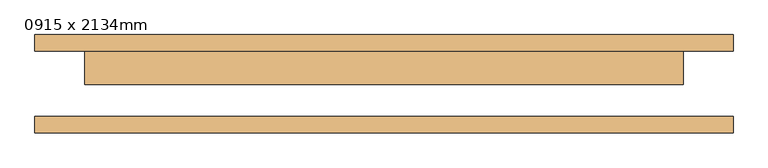
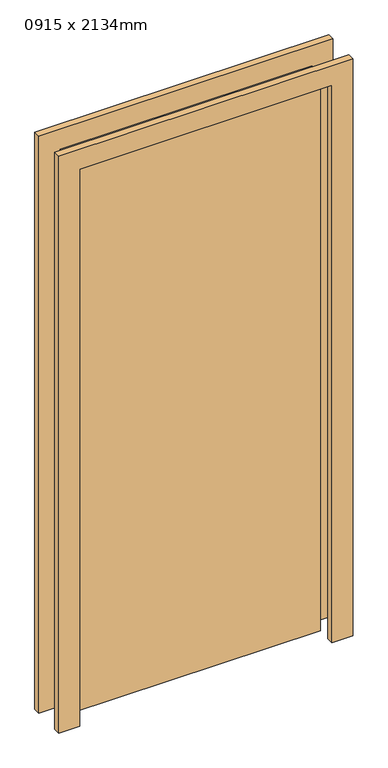
"""IFC4 building model written with IfcOpenShell, lengths in millimetres: door geometry, 0915 x 2134mm."""

from ifc_helpers import new_model, si_unit, frame, origin, origin_with_axes, place, context, project, spatial, polyline, outline, extrude, source, transform, mapped, element, save


def door_0915_x_2134mm_ba1cf13c(model_context):
    return source(origin(), model_context, "Body", "SweptSolid", [
        extrude(outline(polyline([(2210.0, -533.5), (0.0, -533.5), (0.0, -457.5), (2134.0, -457.5), (2134.0, 457.5), (0.0, 457.5), (0.0, 533.5), (2210.0, 533.5), (2210.0, -533.5)])), frame((0.0, 50.0, 0.0), z_axis=(0.0, 1.0, 0.0), x_axis=(0.0, 0.0, 1.0)), (0.0, 0.0, 1.0), 25.0),
        extrude(outline(polyline([(2210.0, 533.5), (2210.0, -533.5), (0.0, -533.5), (0.0, -457.5), (2134.0, -457.5), (2134.0, 457.5), (0.0, 457.5), (0.0, 533.5), (2210.0, 533.5)])), frame((0.0, -75.0, 0.0), z_axis=(0.0, 1.0, 0.0), x_axis=(0.0, 0.0, 1.0)), (0.0, 0.0, 1.0), 25.0),
        extrude(outline(polyline([(457.5, -1.0), (-457.5, -1.0), (-457.5, 50.0), (457.5, 50.0), (457.5, -1.0)])), origin_with_axes(), (0.0, 0.0, 1.0), 2134.0),
    ])


if __name__ == "__main__":
    model = new_model("IFC4")
    model_context = context("Model", 3, world=origin())
    ifc_project = project(units=[si_unit("LENGTHUNIT", "METRE", prefix="MILLI")], contexts=[model_context])
    site = spatial("IfcSite", under=ifc_project)
    building = spatial("IfcBuilding", under=site)
    placement = place(None, origin())
    door_0915_x_2134mm_shape = door_0915_x_2134mm_ba1cf13c(model_context)
    element("IfcDoor", 1, ObjectType="0915 x 2134mm", at=placement, inside=building, context=model_context, shape_type="MappedRepresentation", body=[
        mapped(door_0915_x_2134mm_shape, transform((0.0, 0.0, 0.0), x_axis=(1.0, 0.0, 0.0), y_axis=(0.0, 1.0, 0.0), z_axis=(0.0, 0.0, 1.0))),
    ])
    save(model, "model.ifc")
